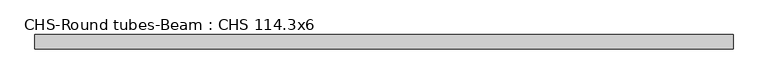
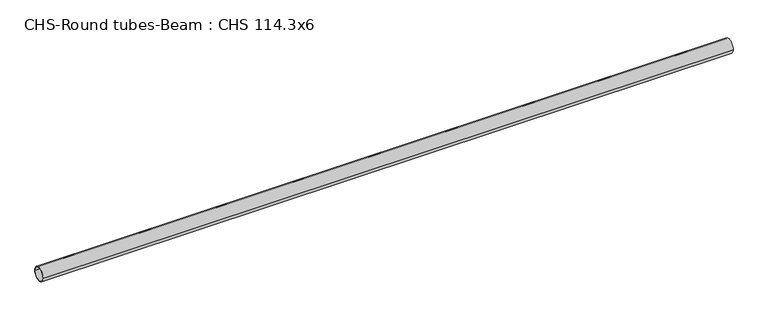
"""IFC4 building model written with IfcOpenShell, lengths in millimetres: beam geometry, CHS-Round tubes-Beam : CHS 114.3x6."""

from ifc_helpers import new_model, si_unit, point, frame, origin, origin_2d, place, context, project, spatial, circle_curve, trimmed, segment, composite_curve, outline, extrude, source, transform, mapped, element, save


def chs_round_tubes_beam_chs_114_3x6_8386c8bd(model_context):
    return source(origin(), model_context, "Body", "SweptSolid", [
        extrude(outline(composite_curve([segment(trimmed(circle_curve(origin_2d(), 57.15), [point((57.15, 0.0))], [point((-57.15, 0.0))], False, "CARTESIAN"), True, "CONTINUOUS"), segment(trimmed(circle_curve(origin_2d(), 57.15), [point((-57.15, 0.0))], [point((57.15, 0.0))], False, "CARTESIAN"), True, "CONTINUOUS")], self_intersect=False), holes=[composite_curve([segment(trimmed(circle_curve(origin_2d(), 51.15), [point((51.15, 0.0))], [point((-51.15, 0.0))], True, "CARTESIAN"), True, "CONTINUOUS"), segment(trimmed(circle_curve(origin_2d(), 51.15), [point((-51.15, 0.0))], [point((51.15, 0.0))], True, "CARTESIAN"), True, "CONTINUOUS")], self_intersect=False)]), frame((-3036.544462, 0.0, 0.0), z_axis=(1.0, 0.0, 0.0), x_axis=(0.0, 1.0, 0.0)), (0.0, 0.0, 1.0), 5621.9296863),
    ])


if __name__ == "__main__":
    model = new_model("IFC4")
    model_context = context("Model", 3, world=origin())
    ifc_project = project(units=[si_unit("LENGTHUNIT", "METRE", prefix="MILLI")], contexts=[model_context])
    site = spatial("IfcSite", under=ifc_project)
    building = spatial("IfcBuilding", under=site)
    placement = place(None, origin())
    chs_round_tubes_beam_chs_114_3x6_shape = chs_round_tubes_beam_chs_114_3x6_8386c8bd(model_context)
    element("IfcBeam", 1, ObjectType="CHS-Round tubes-Beam : CHS 114.3x6", at=placement, inside=building, context=model_context, shape_type="MappedRepresentation", body=[
        mapped(chs_round_tubes_beam_chs_114_3x6_shape, transform((0.0, 0.0, 0.0), x_axis=(1.0, 0.0, 0.0), y_axis=(0.0, 1.0, 0.0), z_axis=(0.0, 0.0, 1.0))),
    ])
    save(model, "model.ifc")
